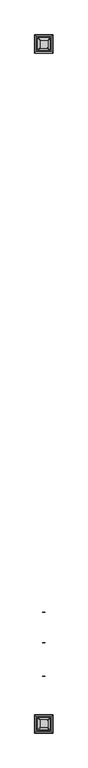
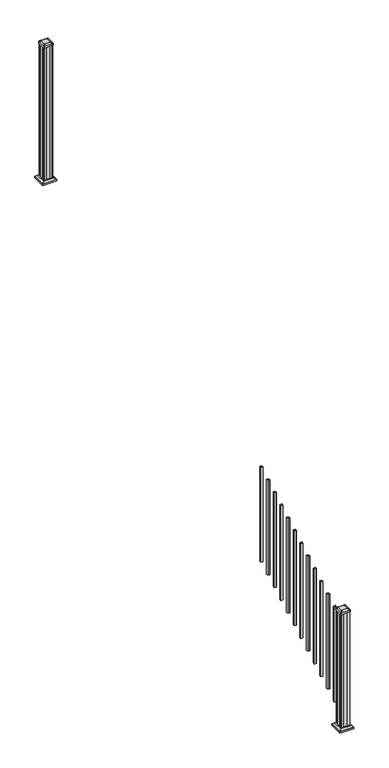
"""IFC4 building model written with IfcOpenShell, lengths in millimetres: railing geometry."""

from ifc_helpers import new_model, si_unit, point, frame, frame_2d, origin, place, context, project, spatial, polyline, circle_curve, trimmed, segment, composite_curve, outline, extrude, faceted_brep, source, transform, mapped, element, save
from ifc_brep_helpers import plane_surface, extruded_surface, advanced_brep


def railing_8f76b3b6(model_context):
    return source(origin(), model_context, "Body", "SolidModel", [
        extrude(outline(polyline([(12331.5192659, 3087.2789694), (12312.4692659, 3087.2789694), (12312.4692659, 3106.3289694), (12331.5192659, 3106.3289694), (12331.5192659, 3087.2789694)]), holes=[polyline([(12331.1223909, 3087.6758444), (12331.1223909, 3105.9320944), (12312.8661409, 3105.9320944), (12312.8661409, 3087.6758444), (12331.1223909, 3087.6758444)])]), frame((0.0, 0.0, 1003.0533433), z_axis=(0.0, 0.0, 1.0), x_axis=(1.0, 0.0, 0.0)), (0.0, 0.0, 1.0), 965.2041219),
        extrude(outline(polyline([(12331.5192659, 2976.1539694), (12312.4692659, 2976.1539694), (12312.4692659, 2995.2039694), (12331.5192659, 2995.2039694), (12331.5192659, 2976.1539694)]), holes=[polyline([(12331.1223909, 2976.5508444), (12331.1223909, 2994.8070944), (12312.8661409, 2994.8070944), (12312.8661409, 2976.5508444), (12331.1223909, 2976.5508444)])]), frame((0.0, 0.0, 941.3172322), z_axis=(0.0, 0.0, 1.0), x_axis=(1.0, 0.0, 0.0)), (0.0, 0.0, 1.0), 965.2041219),
        extrude(outline(polyline([(12331.5192659, 2865.0289694), (12312.4692659, 2865.0289694), (12312.4692659, 2884.0789694), (12331.5192659, 2884.0789694), (12331.5192659, 2865.0289694)]), holes=[polyline([(12331.1223909, 2865.4258444), (12331.1223909, 2883.6820944), (12312.8661409, 2883.6820944), (12312.8661409, 2865.4258444), (12331.1223909, 2865.4258444)])]), frame((0.0, 0.0, 879.5811211), z_axis=(0.0, 0.0, 1.0), x_axis=(1.0, 0.0, 0.0)), (0.0, 0.0, 1.0), 965.2041219),
        extrude(outline(polyline([(12331.5192659, 2753.9039694), (12312.4692659, 2753.9039694), (12312.4692659, 2772.9539694), (12331.5192659, 2772.9539694), (12331.5192659, 2753.9039694)]), holes=[polyline([(12331.1223909, 2754.3008444), (12331.1223909, 2772.5570944), (12312.8661409, 2772.5570944), (12312.8661409, 2754.3008444), (12331.1223909, 2754.3008444)])]), frame((0.0, 0.0, 817.84501), z_axis=(0.0, 0.0, 1.0), x_axis=(1.0, 0.0, 0.0)), (0.0, 0.0, 1.0), 965.2041219),
        extrude(outline(polyline([(12331.5192659, 2642.7789694), (12312.4692659, 2642.7789694), (12312.4692659, 2661.8289694), (12331.5192659, 2661.8289694), (12331.5192659, 2642.7789694)]), holes=[polyline([(12331.1223909, 2643.1758444), (12331.1223909, 2661.4320944), (12312.8661409, 2661.4320944), (12312.8661409, 2643.1758444), (12331.1223909, 2643.1758444)])]), frame((0.0, 0.0, 756.1088989), z_axis=(0.0, 0.0, 1.0), x_axis=(1.0, 0.0, 0.0)), (0.0, 0.0, 1.0), 965.2041219),
        extrude(outline(polyline([(12331.5192659, 2531.6539694), (12312.4692659, 2531.6539694), (12312.4692659, 2550.7039694), (12331.5192659, 2550.7039694), (12331.5192659, 2531.6539694)]), holes=[polyline([(12331.1223909, 2532.0508444), (12331.1223909, 2550.3070944), (12312.8661409, 2550.3070944), (12312.8661409, 2532.0508444), (12331.1223909, 2532.0508444)])]), frame((0.0, 0.0, 694.3727878), z_axis=(0.0, 0.0, 1.0), x_axis=(1.0, 0.0, 0.0)), (0.0, 0.0, 1.0), 965.2041219),
        extrude(outline(polyline([(12331.5192659, 2420.5289694), (12312.4692659, 2420.5289694), (12312.4692659, 2439.5789694), (12331.5192659, 2439.5789694), (12331.5192659, 2420.5289694)]), holes=[polyline([(12331.1223909, 2420.9258444), (12331.1223909, 2439.1820944), (12312.8661409, 2439.1820944), (12312.8661409, 2420.9258444), (12331.1223909, 2420.9258444)])]), frame((0.0, 0.0, 632.6366767), z_axis=(0.0, 0.0, 1.0), x_axis=(1.0, 0.0, 0.0)), (0.0, 0.0, 1.0), 965.2041219),
        extrude(outline(polyline([(12331.5192659, 2309.4039694), (12312.4692659, 2309.4039694), (12312.4692659, 2328.4539694), (12331.5192659, 2328.4539694), (12331.5192659, 2309.4039694)]), holes=[polyline([(12331.1223909, 2309.8008444), (12331.1223909, 2328.0570944), (12312.8661409, 2328.0570944), (12312.8661409, 2309.8008444), (12331.1223909, 2309.8008444)])]), frame((0.0, 0.0, 570.9005656), z_axis=(0.0, 0.0, 1.0), x_axis=(1.0, 0.0, 0.0)), (0.0, 0.0, 1.0), 965.2041219),
        extrude(outline(polyline([(12331.5192659, 2198.2789694), (12312.4692659, 2198.2789694), (12312.4692659, 2217.3289694), (12331.5192659, 2217.3289694), (12331.5192659, 2198.2789694)]), holes=[polyline([(12331.1223909, 2198.6758444), (12331.1223909, 2216.9320944), (12312.8661409, 2216.9320944), (12312.8661409, 2198.6758444), (12331.1223909, 2198.6758444)])]), frame((0.0, 0.0, 509.1644545), z_axis=(0.0, 0.0, 1.0), x_axis=(1.0, 0.0, 0.0)), (0.0, 0.0, 1.0), 965.2041219),
        extrude(outline(polyline([(12331.5192659, 2087.1539694), (12312.4692659, 2087.1539694), (12312.4692659, 2106.2039694), (12331.5192659, 2106.2039694), (12331.5192659, 2087.1539694)]), holes=[polyline([(12331.1223909, 2087.5508444), (12331.1223909, 2105.8070944), (12312.8661409, 2105.8070944), (12312.8661409, 2087.5508444), (12331.1223909, 2087.5508444)])]), frame((0.0, 0.0, 447.4283433), z_axis=(0.0, 0.0, 1.0), x_axis=(1.0, 0.0, 0.0)), (0.0, 0.0, 1.0), 965.2041219),
        extrude(outline(polyline([(12331.5192659, 1976.0289694), (12312.4692659, 1976.0289694), (12312.4692659, 1995.0789694), (12331.5192659, 1995.0789694), (12331.5192659, 1976.0289694)]), holes=[polyline([(12331.1223909, 1976.4258444), (12331.1223909, 1994.6820944), (12312.8661409, 1994.6820944), (12312.8661409, 1976.4258444), (12331.1223909, 1976.4258444)])]), frame((0.0, 0.0, 385.6922322), z_axis=(0.0, 0.0, 1.0), x_axis=(1.0, 0.0, 0.0)), (0.0, 0.0, 1.0), 965.2041219),
        extrude(outline(polyline([(12331.5192659, 1864.9039694), (12312.4692659, 1864.9039694), (12312.4692659, 1883.9539694), (12331.5192659, 1883.9539694), (12331.5192659, 1864.9039694)]), holes=[polyline([(12331.1223909, 1865.3008444), (12331.1223909, 1883.5570944), (12312.8661409, 1883.5570944), (12312.8661409, 1865.3008444), (12331.1223909, 1865.3008444)])]), frame((0.0, 0.0, 323.9561211), z_axis=(0.0, 0.0, 1.0), x_axis=(1.0, 0.0, 0.0)), (0.0, 0.0, 1.0), 965.2041219),
        extrude(outline(polyline([(12282.3067659, 6655.7805319), (12280.7192659, 6657.3680319), (12280.7192659, 6676.9895319), (12282.3067659, 6677.7515319), (12282.3067659, 6716.3595319), (12280.7192659, 6717.1215319), (12280.7192659, 6736.7430319), (12282.3067659, 6738.3305319), (12301.9282659, 6738.3305319), (12302.6902659, 6736.7430319), (12341.2982659, 6736.7430319), (12342.0602659, 6738.3305319), (12361.6817659, 6738.3305319), (12363.2692659, 6736.7430319), (12363.2692659, 6717.1215319), (12361.6817659, 6716.3595319), (12361.6817659, 6677.7515319), (12363.2692659, 6676.9895319), (12363.2692659, 6657.3680319), (12361.6817659, 6655.7805319), (12342.0602659, 6655.7805319), (12341.2982659, 6657.3680319), (12302.6902659, 6657.3680319), (12301.9282659, 6655.7805319), (12282.3067659, 6655.7805319)])), frame((0.0, 0.0, 2709.3333333), z_axis=(0.0, 0.0, 1.0), x_axis=(1.0, 0.0, 0.0)), (0.0, 0.0, 1.0), 1376.0281519),
        faceted_brep([(12374.5802034, 6644.4695944, 2737.9083333), (12374.5802034, 6749.6414694, 2737.9083333), (12269.4083284, 6749.6414694, 2737.9083333), (12269.4083284, 6644.4695944, 2737.9083333), (12388.6196565, 6630.4301413, 2724.5733333), (12255.3688753, 6630.4301413, 2724.5733333), (12255.3688753, 6763.6809225, 2724.5733333), (12388.6196565, 6763.6809225, 2724.5733333)], [[[0, 1, 2, 3]], [[4, 5, 6, 7]], [[4, 0, 3, 5]], [[5, 3, 2, 6]], [[6, 2, 1, 7]], [[7, 1, 0, 4]]]),
        extrude(outline(polyline([(12388.6196565, 6630.4301413), (12255.3688753, 6630.4301413), (12255.3688753, 6763.6809225), (12388.6196565, 6763.6809225), (12388.6196565, 6630.4301413)])), frame((0.0, 0.0, 2709.3333333), z_axis=(0.0, 0.0, 1.0), x_axis=(1.0, 0.0, 0.0)), (0.0, 0.0, 1.0), 15.24),
        advanced_brep(
        [(12296.1973909, 6668.0836569, 4113.9364852), (12347.7911409, 6668.0836569, 4113.9364852), (12350.9661409, 6671.2586569, 4113.9364852), (12350.9661409, 6722.8524069, 4113.9364852), (12347.7911409, 6726.0274069, 4113.9364852), (12296.1973909, 6726.0274069, 4113.9364852), (12293.0223909, 6722.8524069, 4113.9364852), (12293.0223909, 6671.2586569, 4113.9364852), (12279.9255159, 6651.8117819, 4102.6334852), (12276.7505159, 6654.9867819, 4102.6334852), (12276.7505159, 6739.1242819, 4102.6334852), (12279.9255159, 6742.2992819, 4102.6334852), (12364.0630159, 6742.2992819, 4102.6334852), (12367.2380159, 6739.1242819, 4102.6334852), (12367.2380159, 6654.9867819, 4102.6334852), (12364.0630159, 6651.8117819, 4102.6334852)],
        [
            (0, 1),
            (1, 2, circle_curve(frame((12347.7911409, 6671.2586569, 4113.9364852), z_axis=(0.0, 0.0, 1.0), x_axis=(0.0, 1.0, 0.0)), 3.175)),
            (2, 3),
            (3, 4, circle_curve(frame((12347.7911409, 6722.8524069, 4113.9364852), z_axis=(0.0, 0.0, 1.0), x_axis=(0.0, 1.0, 0.0)), 3.175)),
            (4, 5),
            (5, 6, circle_curve(frame((12296.1973909, 6722.8524069, 4113.9364852), z_axis=(0.0, 0.0, 1.0), x_axis=(0.0, 1.0, 0.0)), 3.175)),
            (6, 7),
            (7, 0, circle_curve(frame((12296.1973909, 6671.2586569, 4113.9364852), z_axis=(0.0, 0.0, 1.0), x_axis=(0.0, 1.0, 0.0)), 3.175)),
            (8, 9, circle_curve(frame((12279.9255159, 6654.9867819, 4102.6334852), z_axis=(0.0, 0.0, -1.0), x_axis=(0.0, 1.0, 0.0)), 3.175)),
            (9, 10),
            (10, 11, circle_curve(frame((12279.9255159, 6739.1242819, 4102.6334852), z_axis=(0.0, 0.0, -1.0), x_axis=(0.0, 1.0, 0.0)), 3.175)),
            (11, 12),
            (12, 13, circle_curve(frame((12364.0630159, 6739.1242819, 4102.6334852), z_axis=(0.0, 0.0, -1.0), x_axis=(0.0, 1.0, 0.0)), 3.175)),
            (13, 14),
            (14, 15, circle_curve(frame((12364.0630159, 6654.9867819, 4102.6334852), z_axis=(0.0, 0.0, -1.0), x_axis=(0.0, 1.0, 0.0)), 3.175)),
            (15, 8),
            (8, 0),
            (7, 9),
            (6, 10),
            (5, 11),
            (4, 12),
            (3, 13),
            (2, 14),
            (1, 15),
        ],
        [
            plane_surface(frame((12321.9942659, 6697.0555319, 4113.9364852), z_axis=(0.0, 0.0, 1.0), x_axis=(-1.0, 0.0, 0.0))),
            plane_surface(frame((12321.9942659, 6697.0555319, 4102.6334852), z_axis=(0.0, 0.0, -1.0), x_axis=(-1.0, 0.0, 0.0))),
            extruded_surface(trimmed(circle_curve(frame((12296.1973909, 6671.2586569, 4113.9364852), z_axis=(0.0, 0.0, -1.0), x_axis=(0.0, 1.0, 0.0)), 3.175), [point((12296.1973909, 6668.0836569, 4113.9364852))], [point((12293.0223909, 6671.2586569, 4113.9364852))], True, "CARTESIAN"), (-16.271875000000364, -16.271874999999454, -11.302999999999884), 25.637972638865996),
            plane_surface(frame((12276.7505159, 6697.0555319, 4102.6334852), z_axis=(-0.5705009161540685, 0.0, 0.8212969649690474), x_axis=(0.0, 1.0, 0.0))),
            extruded_surface(trimmed(circle_curve(frame((12296.1973909, 6722.8524069, 4113.9364852), z_axis=(0.0, 0.0, -1.0), x_axis=(0.0, 1.0, 0.0)), 3.175), [point((12293.0223909, 6722.8524069, 4113.9364852))], [point((12296.1973909, 6726.0274069, 4113.9364852))], True, "CARTESIAN"), (-16.271875000000364, 16.271875000000364, -11.302999999999884), 25.63797263886657),
            plane_surface(frame((12321.9942659, 6742.2992819, 4102.6334852), z_axis=(0.0, 0.5705009161540291, 0.8212969649690747), x_axis=(1.0, 0.0, 0.0))),
            extruded_surface(trimmed(circle_curve(frame((12347.7911409, 6722.8524069, 4113.9364852), z_axis=(0.0, 0.0, -1.0), x_axis=(0.0, 1.0, 0.0)), 3.175), [point((12347.7911409, 6726.0274069, 4113.9364852))], [point((12350.9661409, 6722.8524069, 4113.9364852))], True, "CARTESIAN"), (16.271874999998545, 16.271875000000364, -11.302999999999884), 25.63797263886542),
            plane_surface(frame((12367.2380159, 6697.0555319, 4102.6334852), z_axis=(0.5705009161540235, 0.0, 0.8212969649690786), x_axis=(0.0, -1.0, 0.0))),
            extruded_surface(trimmed(circle_curve(frame((12347.7911409, 6671.2586569, 4113.9364852), z_axis=(0.0, 0.0, -1.0), x_axis=(0.0, 1.0, 0.0)), 3.175), [point((12350.9661409, 6671.2586569, 4113.9364852))], [point((12347.7911409, 6668.0836569, 4113.9364852))], True, "CARTESIAN"), (16.271874999998545, -16.271874999999454, -11.302999999999884), 25.63797263886484),
            plane_surface(frame((12321.9942659, 6651.8117819, 4102.6334852), z_axis=(0.0, -0.570500916154034, 0.8212969649690713), x_axis=(-1.0, 0.0, 0.0))),
        ],
        [
            (0, [[1, 2, 3, 4, 5, 6, 7, 8]]),
            (1, [[9, 10, 11, 12, 13, 14, 15, 16]]),
            (2, [[17, -8, 18, -9]]),
            (3, [[-18, -7, 19, -10]]),
            (4, [[-19, -6, 20, -11]]),
            (5, [[-20, -5, 21, -12]]),
            (6, [[-21, -4, 22, -13]]),
            (7, [[-22, -3, 23, -14]]),
            (8, [[-23, -2, 24, -15]]),
            (9, [[-24, -1, -17, -16]]),
        ],
    ),
        extrude(outline(composite_curve([segment(trimmed(circle_curve(frame_2d((12279.9255159, 6654.9867819)), 3.175), [point((12279.9255159, 6651.8117819))], [point((12276.7505159, 6654.9867819))], False, "CARTESIAN"), True, "CONTINUOUS"), segment(polyline([(12276.7505159, 6654.9867819), (12276.7505159, 6739.1242819)]), True, "CONTINUOUS"), segment(trimmed(circle_curve(frame_2d((12279.9255159, 6739.1242819)), 3.175), [point((12276.7505159, 6739.1242819))], [point((12279.9255159, 6742.2992819))], False, "CARTESIAN"), True, "CONTINUOUS"), segment(polyline([(12279.9255159, 6742.2992819), (12364.0630159, 6742.2992819)]), True, "CONTINUOUS"), segment(trimmed(circle_curve(frame_2d((12364.0630159, 6739.1242819)), 3.175), [point((12364.0630159, 6742.2992819))], [point((12367.2380159, 6739.1242819))], False, "CARTESIAN"), True, "CONTINUOUS"), segment(polyline([(12367.2380159, 6739.1242819), (12367.2380159, 6654.9867819)]), True, "CONTINUOUS"), segment(trimmed(circle_curve(frame_2d((12364.0630159, 6654.9867819)), 3.175), [point((12367.2380159, 6654.9867819))], [point((12364.0630159, 6651.8117819))], False, "CARTESIAN"), True, "CONTINUOUS"), segment(polyline([(12364.0630159, 6651.8117819), (12279.9255159, 6651.8117819)]), True, "CONTINUOUS")], self_intersect=False)), frame((0.0, 0.0, 4085.3614852), z_axis=(0.0, 0.0, 1.0), x_axis=(1.0, 0.0, 0.0)), (0.0, 0.0, 1.0), 17.272),
        faceted_brep([(12374.5802034, 1685.1195944, 174.9777778), (12374.5802034, 1790.2914694, 174.9777778), (12269.4083284, 1790.2914694, 174.9777778), (12269.4083284, 1685.1195944, 174.9777778), (12388.6196565, 1671.0801413, 161.6427778), (12255.3688753, 1671.0801413, 161.6427778), (12255.3688753, 1804.3309225, 161.6427778), (12388.6196565, 1804.3309225, 161.6427778)], [[[0, 1, 2, 3]], [[4, 5, 6, 7]], [[4, 0, 3, 5]], [[5, 3, 2, 6]], [[6, 2, 1, 7]], [[7, 1, 0, 4]]]),
        extrude(outline(polyline([(12388.6196565, 1671.0801413), (12255.3688753, 1671.0801413), (12255.3688753, 1804.3309225), (12388.6196565, 1804.3309225), (12388.6196565, 1671.0801413)])), frame((0.0, 0.0, 146.4027778), z_axis=(0.0, 0.0, 1.0), x_axis=(1.0, 0.0, 0.0)), (0.0, 0.0, 1.0), 15.24),
        advanced_brep(
        [(12296.1973909, 1708.7336569, 1358.7420408), (12347.7911409, 1708.7336569, 1358.7420408), (12350.9661409, 1711.9086569, 1358.7420408), (12350.9661409, 1763.5024069, 1358.7420408), (12347.7911409, 1766.6774069, 1358.7420408), (12296.1973909, 1766.6774069, 1358.7420408), (12293.0223909, 1763.5024069, 1358.7420408), (12293.0223909, 1711.9086569, 1358.7420408), (12279.9255159, 1692.4617819, 1347.4390408), (12276.7505159, 1695.6367819, 1347.4390408), (12276.7505159, 1779.7742819, 1347.4390408), (12279.9255159, 1782.9492819, 1347.4390408), (12364.0630159, 1782.9492819, 1347.4390408), (12367.2380159, 1779.7742819, 1347.4390408), (12367.2380159, 1695.6367819, 1347.4390408), (12364.0630159, 1692.4617819, 1347.4390408)],
        [
            (0, 1),
            (1, 2, circle_curve(frame((12347.7911409, 1711.9086569, 1358.7420408), z_axis=(0.0, 0.0, 1.0), x_axis=(0.0, 1.0, 0.0)), 3.175)),
            (2, 3),
            (3, 4, circle_curve(frame((12347.7911409, 1763.5024069, 1358.7420408), z_axis=(0.0, 0.0, 1.0), x_axis=(0.0, 1.0, 0.0)), 3.175)),
            (4, 5),
            (5, 6, circle_curve(frame((12296.1973909, 1763.5024069, 1358.7420408), z_axis=(0.0, 0.0, 1.0), x_axis=(0.0, 1.0, 0.0)), 3.175)),
            (6, 7),
            (7, 0, circle_curve(frame((12296.1973909, 1711.9086569, 1358.7420408), z_axis=(0.0, 0.0, 1.0), x_axis=(0.0, 1.0, 0.0)), 3.175)),
            (8, 9, circle_curve(frame((12279.9255159, 1695.6367819, 1347.4390408), z_axis=(0.0, 0.0, -1.0), x_axis=(0.0, 1.0, 0.0)), 3.175)),
            (9, 10),
            (10, 11, circle_curve(frame((12279.9255159, 1779.7742819, 1347.4390408), z_axis=(0.0, 0.0, -1.0), x_axis=(0.0, 1.0, 0.0)), 3.175)),
            (11, 12),
            (12, 13, circle_curve(frame((12364.0630159, 1779.7742819, 1347.4390408), z_axis=(0.0, 0.0, -1.0), x_axis=(0.0, 1.0, 0.0)), 3.175)),
            (13, 14),
            (14, 15, circle_curve(frame((12364.0630159, 1695.6367819, 1347.4390408), z_axis=(0.0, 0.0, -1.0), x_axis=(0.0, 1.0, 0.0)), 3.175)),
            (15, 8),
            (8, 0),
            (7, 9),
            (6, 10),
            (5, 11),
            (4, 12),
            (3, 13),
            (2, 14),
            (1, 15),
        ],
        [
            plane_surface(frame((12321.9942659, 1737.7055319, 1358.7420408), z_axis=(0.0, 0.0, 1.0), x_axis=(-1.0, 0.0, 0.0))),
            plane_surface(frame((12321.9942659, 1737.7055319, 1347.4390408), z_axis=(0.0, 0.0, -1.0), x_axis=(-1.0, 0.0, 0.0))),
            extruded_surface(trimmed(circle_curve(frame((12296.1973909, 1711.9086569, 1358.7420408), z_axis=(0.0, 0.0, -1.0), x_axis=(0.0, 1.0, 0.0)), 3.175), [point((12296.1973909, 1708.7336569, 1358.7420408))], [point((12293.0223909, 1711.9086569, 1358.7420408))], True, "CARTESIAN"), (-16.271875000000364, -16.271875000000136, -11.303000000000111), 25.63797263886653),
            plane_surface(frame((12276.7505159, 1737.7055319, 1347.4390408), z_axis=(-0.5705009161540778, 0.0, 0.8212969649690408), x_axis=(0.0, 1.0, 0.0))),
            extruded_surface(trimmed(circle_curve(frame((12296.1973909, 1763.5024069, 1358.7420408), z_axis=(0.0, 0.0, -1.0), x_axis=(0.0, 1.0, 0.0)), 3.175), [point((12293.0223909, 1763.5024069, 1358.7420408))], [point((12296.1973909, 1766.6774069, 1358.7420408))], True, "CARTESIAN"), (-16.271875000000364, 16.27187499999991, -11.303000000000111), 25.637972638866383),
            plane_surface(frame((12321.9942659, 1782.9492819, 1347.4390408), z_axis=(0.0, 0.5705009161540291, 0.8212969649690747), x_axis=(1.0, 0.0, 0.0))),
            extruded_surface(trimmed(circle_curve(frame((12347.7911409, 1763.5024069, 1358.7420408), z_axis=(0.0, 0.0, -1.0), x_axis=(0.0, 1.0, 0.0)), 3.175), [point((12347.7911409, 1766.6774069, 1358.7420408))], [point((12350.9661409, 1763.5024069, 1358.7420408))], True, "CARTESIAN"), (16.271874999998545, 16.27187499999991, -11.303000000000111), 25.63797263886523),
            plane_surface(frame((12367.2380159, 1737.7055319, 1347.4390408), z_axis=(0.5705009161540142, 0.0, 0.8212969649690851), x_axis=(0.0, -1.0, 0.0))),
            extruded_surface(trimmed(circle_curve(frame((12347.7911409, 1711.9086569, 1358.7420408), z_axis=(0.0, 0.0, -1.0), x_axis=(0.0, 1.0, 0.0)), 3.175), [point((12350.9661409, 1711.9086569, 1358.7420408))], [point((12347.7911409, 1708.7336569, 1358.7420408))], True, "CARTESIAN"), (16.271874999998545, -16.271875000000136, -11.303000000000111), 25.637972638865374),
            plane_surface(frame((12321.9942659, 1692.4617819, 1347.4390408), z_axis=(0.0, -0.570500916154034, 0.8212969649690713), x_axis=(-1.0, 0.0, 0.0))),
        ],
        [
            (0, [[1, 2, 3, 4, 5, 6, 7, 8]]),
            (1, [[9, 10, 11, 12, 13, 14, 15, 16]]),
            (2, [[17, -8, 18, -9]]),
            (3, [[-18, -7, 19, -10]]),
            (4, [[-19, -6, 20, -11]]),
            (5, [[-20, -5, 21, -12]]),
            (6, [[-21, -4, 22, -13]]),
            (7, [[-22, -3, 23, -14]]),
            (8, [[-23, -2, 24, -15]]),
            (9, [[-24, -1, -17, -16]]),
        ],
    ),
        extrude(outline(composite_curve([segment(trimmed(circle_curve(frame_2d((12279.9255159, 1695.6367819)), 3.175), [point((12279.9255159, 1692.4617819))], [point((12276.7505159, 1695.6367819))], False, "CARTESIAN"), True, "CONTINUOUS"), segment(polyline([(12276.7505159, 1695.6367819), (12276.7505159, 1779.7742819)]), True, "CONTINUOUS"), segment(trimmed(circle_curve(frame_2d((12279.9255159, 1779.7742819)), 3.175), [point((12276.7505159, 1779.7742819))], [point((12279.9255159, 1782.9492819))], False, "CARTESIAN"), True, "CONTINUOUS"), segment(polyline([(12279.9255159, 1782.9492819), (12364.0630159, 1782.9492819)]), True, "CONTINUOUS"), segment(trimmed(circle_curve(frame_2d((12364.0630159, 1779.7742819)), 3.175), [point((12364.0630159, 1782.9492819))], [point((12367.2380159, 1779.7742819))], False, "CARTESIAN"), True, "CONTINUOUS"), segment(polyline([(12367.2380159, 1779.7742819), (12367.2380159, 1695.6367819)]), True, "CONTINUOUS"), segment(trimmed(circle_curve(frame_2d((12364.0630159, 1695.6367819)), 3.175), [point((12367.2380159, 1695.6367819))], [point((12364.0630159, 1692.4617819))], False, "CARTESIAN"), True, "CONTINUOUS"), segment(polyline([(12364.0630159, 1692.4617819), (12279.9255159, 1692.4617819)]), True, "CONTINUOUS")], self_intersect=False)), frame((0.0, 0.0, 1330.1670408), z_axis=(0.0, 0.0, 1.0), x_axis=(1.0, 0.0, 0.0)), (0.0, 0.0, 1.0), 17.272),
        extrude(outline(polyline([(12282.3067659, 1696.4305319), (12280.7192659, 1698.0180319), (12280.7192659, 1717.6395319), (12282.3067659, 1718.4015319), (12282.3067659, 1757.0095319), (12280.7192659, 1757.7715319), (12280.7192659, 1777.3930319), (12282.3067659, 1778.9805319), (12301.9282659, 1778.9805319), (12302.6902659, 1777.3930319), (12341.2982659, 1777.3930319), (12342.0602659, 1778.9805319), (12361.6817659, 1778.9805319), (12363.2692659, 1777.3930319), (12363.2692659, 1757.7715319), (12361.6817659, 1757.0095319), (12361.6817659, 1718.4015319), (12363.2692659, 1717.6395319), (12363.2692659, 1698.0180319), (12361.6817659, 1696.4305319), (12342.0602659, 1696.4305319), (12341.2982659, 1698.0180319), (12302.6902659, 1698.0180319), (12301.9282659, 1696.4305319), (12282.3067659, 1696.4305319)])), frame((0.0, 0.0, 146.4027778), z_axis=(0.0, 0.0, 1.0), x_axis=(1.0, 0.0, 0.0)), (0.0, 0.0, 1.0), 1183.764263),
    ])


if __name__ == "__main__":
    model = new_model("IFC4")
    model_context = context("Model", 3, world=origin())
    ifc_project = project(units=[si_unit("LENGTHUNIT", "METRE", prefix="MILLI")], contexts=[model_context])
    site = spatial("IfcSite", under=ifc_project)
    building = spatial("IfcBuilding", under=site)
    placement = place(None, origin())
    railing_shape = railing_8f76b3b6(model_context)
    element("IfcRailing", 1, at=placement, inside=building, context=model_context, shape_type="MappedRepresentation", body=[
        mapped(railing_shape, transform((0.0, 0.0, 0.0), x_axis=(1.0, 0.0, 0.0), y_axis=(0.0, 1.0, 0.0), z_axis=(0.0, 0.0, 1.0))),
    ])
    save(model, "model.ifc")
